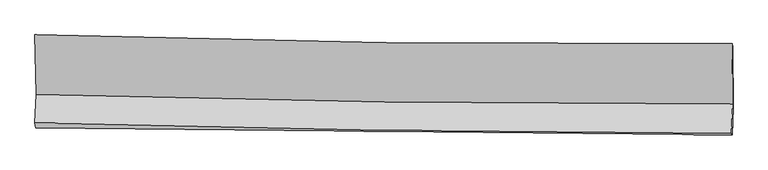
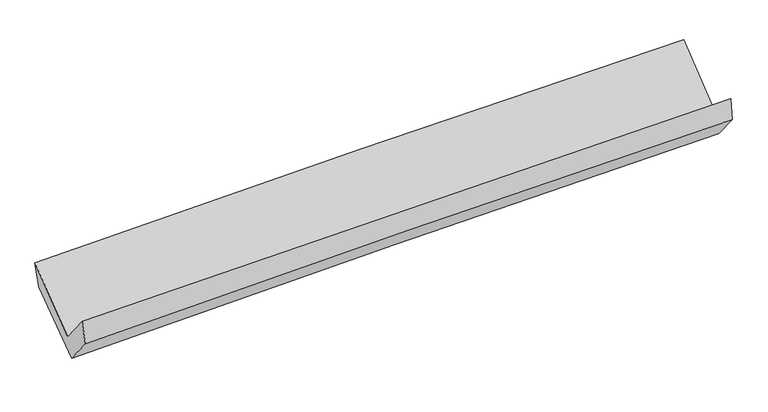
"""IFC4 building model written with IfcOpenShell, lengths in millimetres: proxy geometry."""

import ifcopenshell
import ifcopenshell.guid

model = None  # the IFC model being written
_history = None  # IfcOwnerHistory: only IFC2X3 demands one
_inside = {}  # id of a spatial element -> (the spatial element, [elements in it])
_under = {}  # id of a project, library or spatial element -> (it, [spatial elements below it])
_declared = {}  # id of a project -> (the project, [libraries it declares])
_typed = {}  # id of a type object -> (the type object, [elements of that type])
_made_of = {}  # id of a material, layer set ... -> (it, [elements and type objects made of it])


def new_model(schema):
    """Start an empty IFC model of exactly this schema.

    Asked for "IFC4X3", IfcOpenShell would pick the latest addendum, in which some entities
    have other attributes; the version numbers below select the first issue.
    IFC2X3 requires an IfcOwnerHistory on every rooted entity: one is made here for all.
    """
    global model, _history
    if schema == "IFC4X3":
        model = ifcopenshell.file(schema_version=(4, 3, 0, 0))
    else:
        model = ifcopenshell.file(schema=schema)
    _inside.clear()
    _under.clear()
    _declared.clear()
    _typed.clear()
    _made_of.clear()
    _history = None
    if model.schema == "IFC2X3":
        org = make("IfcOrganization", Name="unknown")
        user = make(
            "IfcPersonAndOrganization",
            ThePerson=make("IfcPerson", FamilyName="unknown"),
            TheOrganization=org,
        )
        app = make(
            "IfcApplication",
            ApplicationDeveloper=org,
            Version="unknown",
            ApplicationFullName="unknown",
            ApplicationIdentifier="unknown",
        )
        _history = make(
            "IfcOwnerHistory",
            OwningUser=user,
            OwningApplication=app,
            ChangeAction="ADDED",
            CreationDate=0,
        )
    return model


def make(cls, **values):
    """One entity of the class cls with the attributes given. An attribute that is None is left unset."""
    return model.create_entity(
        cls, **{name: value for name, value in values.items() if value is not None}
    )


def rooted(cls, **values):
    """An entity with a GlobalId (a new one), such as an element, a storey or a relation."""
    return make(cls, GlobalId=ifcopenshell.guid.new(), OwnerHistory=_history, **values)


def si_unit(unit_type, name, prefix=None):
    """IfcSIUnit, for example si_unit("LENGTHUNIT", "METRE", prefix="MILLI")."""
    return make("IfcSIUnit", UnitType=unit_type, Prefix=prefix, Name=name)


def assignment(units):
    """IfcUnitAssignment: the units of a project."""
    return None if units is None else make("IfcUnitAssignment", Units=units)


def point(xyz):
    """IfcCartesianPoint."""
    return None if xyz is None else make("IfcCartesianPoint", Coordinates=xyz)


def direction(xyz):
    """IfcDirection."""
    return None if xyz is None else make("IfcDirection", DirectionRatios=xyz)


def frame(location, z_axis=None, x_axis=None):
    """IfcAxis2Placement3D, a coordinate frame: its origin and axes. An axis left out is left unset."""
    return make(
        "IfcAxis2Placement3D",
        Location=point(location),
        Axis=direction(z_axis),
        RefDirection=direction(x_axis),
    )


def origin():
    """The frame at (0, 0, 0) with its axes left unset."""
    return frame((0.0, 0.0, 0.0))


def place(relative_to, where):
    """IfcLocalPlacement: puts the frame where relative to a parent placement (None: the world)."""
    return make(
        "IfcLocalPlacement", PlacementRelTo=relative_to, RelativePlacement=where
    )


def context(
    kind, dimensions, precision=None, world=None, true_north=None, identifier=None
):
    """IfcGeometricRepresentationContext, for example the 3D "Model" context."""
    return make(
        "IfcGeometricRepresentationContext",
        ContextIdentifier=identifier,
        ContextType=kind,
        CoordinateSpaceDimension=dimensions,
        Precision=precision,
        WorldCoordinateSystem=world,
        TrueNorth=true_north,
    )


def project(units=None, contexts=None):
    """IfcProject with its units and contexts."""
    return rooted(
        "IfcProject",
        Name="project",
        RepresentationContexts=contexts,
        UnitsInContext=assignment(units),
    )


def spatial(cls, under=None, at=None, **own):
    """A site, building, storey or space (cls), placed at a placement, below another one or the project."""
    s = rooted(cls, ObjectPlacement=at, **own)
    if under is not None:
        _under.setdefault(under.id(), (under, []))[1].append(s)
    return s


def shape(context_of_items, identifier, shape_type, items):
    """IfcShapeRepresentation: the items that make up one representation, for example the "Body"."""
    return make(
        "IfcShapeRepresentation",
        ContextOfItems=context_of_items,
        RepresentationIdentifier=identifier,
        RepresentationType=shape_type,
        Items=items,
    )


def source(mapping_origin, context_of_items, identifier, shape_type, items):
    """IfcRepresentationMap: a shape defined once, which mapped items show again and again."""
    return make(
        "IfcRepresentationMap",
        MappingOrigin=mapping_origin,
        MappedRepresentation=shape(context_of_items, identifier, shape_type, items),
    )


def transform(
    local_origin,
    x_axis=None,
    y_axis=None,
    z_axis=None,
    scale=None,
    scale2=None,
    scale3=None,
    uniform=True,
):
    """IfcCartesianTransformationOperator3D, or its non-uniform kind. x_axis, y_axis, z_axis: its Axis1, 2, 3."""
    if uniform:
        return make(
            "IfcCartesianTransformationOperator3D",
            Axis1=direction(x_axis),
            Axis2=direction(y_axis),
            LocalOrigin=point(local_origin),
            Scale=scale,
            Axis3=direction(z_axis),
        )
    return make(
        "IfcCartesianTransformationOperator3DnonUniform",
        Axis1=direction(x_axis),
        Axis2=direction(y_axis),
        LocalOrigin=point(local_origin),
        Scale=scale,
        Axis3=direction(z_axis),
        Scale2=scale2,
        Scale3=scale3,
    )


def mapped(mapping_source, mapping_target):
    """IfcMappedItem: shows the shape of a source again, moved by a transform."""
    return make(
        "IfcMappedItem", MappingSource=mapping_source, MappingTarget=mapping_target
    )


def made_of(thing, what):
    """Note that an element or type object is made of a material, layer set ...; save() writes the relation."""
    if what is not None:
        _made_of.setdefault(what.id(), (what, []))[1].append(thing)
    return thing


def element(
    cls,
    number,
    at=None,
    inside=None,
    cuts=None,
    type_object=None,
    material=None,
    context=None,
    identifier="Body",
    shape_type=None,
    held_by="IfcProductDefinitionShape",
    body=None,
    shapes=None,
    **own,
):
    """One element of the class cls, such as IfcWall. Its Tag is "e" and its number.

    at: its placement. inside: the storey or other place that contains it. cuts: it is an
    opening in that element (IfcRelVoidsElement). A single representation is given by context,
    identifier, shape_type and body (its items); several are given by shapes. held_by: the class
    of the entity that holds the representations. save() writes the other relations.
    """
    e = rooted(cls, Tag="e%d" % number, ObjectPlacement=at, **own)
    if body is not None:
        shapes = [shape(context, identifier, shape_type, body)]
    if shapes is not None:
        e.Representation = make(held_by, Representations=shapes)
    if inside is not None:
        _inside.setdefault(inside.id(), (inside, []))[1].append(e)
    if cuts is not None:
        rooted(
            "IfcRelVoidsElement", RelatingBuildingElement=cuts, RelatedOpeningElement=e
        )
    if type_object is not None:
        _typed.setdefault(type_object.id(), (type_object, []))[1].append(e)
    return made_of(e, material)


def aggregate(whole, parts):
    """IfcRelAggregates: a whole, such as a stair, and the parts it consists of."""
    return rooted("IfcRelAggregates", RelatingObject=whole, RelatedObjects=parts)


def save(model, path):
    """Write the relations noted so far, then the file.

    IfcRelAggregates (storeys below a building ...), IfcRelContainedInSpatialStructure (elements
    in a storey), IfcRelDefinesByType, IfcRelAssociatesMaterial and IfcRelDeclares: one each for
    every whole, place, type object, material and project.
    """
    for whole, parts in _under.values():
        aggregate(whole, parts)
    for where, things in _inside.values():
        rooted(
            "IfcRelContainedInSpatialStructure",
            RelatedElements=things,
            RelatingStructure=where,
        )
    for kind, things in _typed.values():
        rooted("IfcRelDefinesByType", RelatedObjects=things, RelatingType=kind)
    for what, things in _made_of.values():
        rooted("IfcRelAssociatesMaterial", RelatedObjects=things, RelatingMaterial=what)
    for by, libraries in _declared.values():
        rooted("IfcRelDeclares", RelatingContext=by, RelatedDefinitions=libraries)
    model.write(path)


def plane_surface(at):
    """IfcPlane: the flat surface through the origin of the frame at, square to its z axis."""
    return make("IfcPlane", Position=at)


def spline_curve(degree, points, multiplicities, knots, weights=None):
    """IfcBSplineCurveWithKnots; with weights, IfcRationalBSplineCurveWithKnots."""
    own = dict(
        Degree=degree,
        ControlPointsList=[point(p) for p in points],
        CurveForm="UNSPECIFIED",
        ClosedCurve=False,
        SelfIntersect=False,
        KnotMultiplicities=multiplicities,
        Knots=knots,
        KnotSpec="UNSPECIFIED",
    )
    if weights is None:
        return make("IfcBSplineCurveWithKnots", **own)
    return make("IfcRationalBSplineCurveWithKnots", WeightsData=weights, **own)


def spline_surface(u_degree, v_degree, points, u_multiplicities, v_multiplicities, u_knots, v_knots, weights=None):
    """IfcBSplineSurfaceWithKnots; with weights, IfcRationalBSplineSurfaceWithKnots. points: one row for each step in u."""
    own = dict(
        UDegree=u_degree,
        VDegree=v_degree,
        ControlPointsList=[[point(p) for p in row] for row in points],
        SurfaceForm="UNSPECIFIED",
        UClosed=False,
        VClosed=False,
        SelfIntersect=False,
        UMultiplicities=u_multiplicities,
        VMultiplicities=v_multiplicities,
        UKnots=u_knots,
        VKnots=v_knots,
        KnotSpec="UNSPECIFIED",
    )
    if weights is None:
        return make("IfcBSplineSurfaceWithKnots", **own)
    return make("IfcRationalBSplineSurfaceWithKnots", WeightsData=weights, **own)


def advanced_brep(points, edges, surfaces, faces):
    """IfcAdvancedBrep: a solid bounded by faces that lie on surfaces and meet in shared edges.

    An edge is (start, end): straight between two places in points (the first is 0);
    or (start, end, curve); or (start, end, curve, False) where it runs against its curve.
    A face is (place in surfaces, loops), or (place, loops, False) where it looks against
    its surface's normal. A loop lists edges by number (the first is 1), with a minus sign
    where the edge is run from its end to its start. The first loop is the outer one.
    """
    corners = [point(p) for p in points]
    vertices = [make("IfcVertexPoint", VertexGeometry=c) for c in corners]
    made = []
    for start, end, *more in edges:
        made.append(
            make(
                "IfcEdgeCurve",
                EdgeStart=vertices[start],
                EdgeEnd=vertices[end],
                EdgeGeometry=more[0] if more else make("IfcPolyline", Points=[corners[start], corners[end]]),
                SameSense=more[1] if len(more) > 1 else True,
            )
        )
    hull = []
    for where, loops, *sense in faces:
        bounds = []
        for j, loop in enumerate(loops):
            ring = [make("IfcOrientedEdge", EdgeElement=made[abs(k) - 1], Orientation=k > 0) for k in loop]
            bounds.append(
                make(
                    "IfcFaceOuterBound" if j == 0 else "IfcFaceBound",
                    Bound=make("IfcEdgeLoop", EdgeList=ring),
                    Orientation=True,
                )
            )
        hull.append(make("IfcAdvancedFace", Bounds=bounds, FaceSurface=surfaces[where], SameSense=sense[0] if sense else True))
    return make("IfcAdvancedBrep", Outer=make("IfcClosedShell", CfsFaces=hull))


def generic_models_895e8f6d(model_context):
    return source(origin(), model_context, "Body", "AdvancedBrep", [
        advanced_brep(
        [(-3011.6317415, -1162.8316454, 2156.4761169), (-3001.7528544, -1676.1254939, 1734.6389146), (2993.26945, -1760.1229016, 1882.8106057), (2988.5799851, -1239.8976882, 2304.1228282), (-3011.7225499, -1924.4949526, 2041.2079986), (2983.1809199, -2011.4528202, 2193.0338647), (-3006.2949849, -1967.7618737, 1846.562293), (2987.8040466, -2025.7324758, 1994.5615438), (-2996.8341867, -1729.9745688, 1555.9676578), (2997.0266278, -1794.2769825, 1711.7051138), (-3005.9575969, -1213.1737584, 1952.1931102), (2992.8381448, -1269.6388765, 2114.1026913)],
        [
            (0, 1),
            (1, 2, spline_curve(3, [(-3001.7528544, -1676.1254939, 1734.6389146), (-2002.624186025, -1705.150211502, 1774.79536576), (-1003.215797094, -1726.662090579, 1807.223626691), (995.125549568, -1754.64568029, 1856.59819833), (1994.057929017, -1761.13293711, 1873.560501294), (2993.26945, -1760.1229016, 1882.8106057)], [4, 2, 4], [0.0, 9.848657079376217, 19.6871188821969])),
            (2, 3),
            (3, 0, spline_curve(3, [(2988.5799851, -1239.8976882, 2304.1228282), (1988.264516226, -1245.526292858, 2307.17979373), (988.347872951, -1241.926532095, 2296.417915668), (-1011.723529813, -1216.256987337, 2247.231000333), (-2011.877462134, -1194.16806704, 2208.777307894), (-3011.6317415, -1162.8316454, 2156.4761169)], [4, 2, 4], [0.0, 9.838461802820682, 19.6871188821969])),
            (1, 4),
            (4, 5, spline_curve(3, [(-3011.7225499, -1924.4949526, 2041.2079986), (-2012.571559419, -1952.96357507, 2080.67804651), (-1013.161928821, -1974.444511116, 2113.068113401), (985.139763231, -2003.416006951, 2163.662084735), (1984.031288773, -2010.92102692, 2181.880639828), (2983.1809199, -2011.4528202, 2193.0338647)], [4, 2, 4], [0.0, 9.84395514666889, 19.677719884197558])),
            (5, 2),
            (4, 6),
            (6, 7, spline_curve(3, [(-3006.2949849, -1967.7618737, 1846.562293), (-2007.17186218, -1977.11142647, 1883.585383936), (-1007.843264082, -1986.619670007, 1914.433390635), (990.190171813, -2005.943532634, 1963.753696288), (1988.89458393, -2015.7588229, 1982.238772861), (2987.8040466, -2025.7324758, 1994.5615438)], [4, 2, 4], [0.0, 9.842659167684088, 19.67512926781839])),
            (7, 5),
            (6, 8),
            (8, 9, spline_curve(3, [(-2996.8341867, -1729.9745688, 1555.9676578), (-1997.666286711, -1738.267209219, 1591.699181031), (-998.335183388, -1747.775468284, 1622.547257205), (999.618759486, -1769.212121816, 1674.449636951), (1998.241260682, -1781.138000734, 1695.514046199), (2997.0266278, -1794.2769825, 1711.7051138)], [4, 2, 4], [0.0, 9.841585206976374, 19.672982458161282])),
            (9, 7),
            (8, 10),
            (10, 11, spline_curve(3, [(-3005.9575969, -1213.1737584, 1952.1931102), (-2005.89976224, -1217.493992024, 1991.001255299), (-1005.712252067, -1224.363291424, 2023.901722321), (993.886596925, -1243.190272135, 2077.859357889), (1993.29766713, -1255.14267882, 2098.928750949), (2992.8381448, -1269.6388765, 2114.1026913)], [4, 2, 4], [0.0, 9.845730360785355, 19.681268474738435])),
            (11, 9),
            (10, 0),
            (3, 11),
        ],
        [
            spline_surface(3, 3, [[(-3011.6317415, -1162.8316454, 2156.4761169), (-2011.877461977, -1194.168066954, 2208.777307815), (-1011.723529706, -1216.256987251, 2247.23100022), (988.347872844, -1241.926532181, 2296.417915781), (1988.26451609, -1245.526292791, 2307.179793811), (2988.5799851, -1239.8976882, 2304.1228282)], [(-3008.338779128, -1333.9295949, 2015.863716126), (-2008.79303667, -1364.495448507, 2064.116660491), (-1008.887618891, -1386.392021739, 2100.561875725), (990.607098464, -1412.832914847, 2149.811343311), (1990.195653733, -1417.395174178, 2162.640029608), (2990.143140065, -1413.306092666, 2163.685420712)], [(-3005.045816772, -1505.0275444, 1875.251315374), (-2005.708611379, -1534.82283006, 1919.456013187), (-1006.05170806, -1556.527056215, 1953.892751187), (992.8663241, -1583.739297501, 2003.204770799), (1992.126791381, -1589.264055565, 2018.100265368), (2991.706295035, -1586.714497134, 2023.248013188)], [(-3001.7528544, -1676.1254939, 1734.6389146), (-2002.624186072, -1705.150211613, 1774.795365862), (-1003.215797245, -1726.662090702, 1807.223626691), (995.12554972, -1754.645680166, 1856.598198329), (1994.057929024, -1761.132936952, 1873.560501164), (2993.26945, -1760.1229016, 1882.8106057)]], [4, 4], [4, 2, 4], [0.0, 2.213721081554], [0.0, 9.848657079376217, 19.6871188821969]),
            spline_surface(3, 3, [[(-3001.7528544, -1676.1254939, 1734.6389146), (-2002.624186072, -1705.150211613, 1774.795365862), (-1003.215797245, -1726.662090702, 1807.223626691), (995.12554972, -1754.645680166, 1856.598198329), (1994.057929024, -1761.132936952, 1873.560501164), (2993.26945, -1760.1229016, 1882.8106057)], [(-3005.076086228, -1758.915313463, 1836.82860926), (-2005.939977236, -1787.754666054, 1876.756259381), (-1006.531174384, -1809.256230771, 1909.171788904), (991.796954197, -1837.569122456, 1958.952827105), (1990.715715633, -1844.395633599, 1976.333880692), (2989.906606641, -1843.899541119, 1986.218358698)], [(-3008.399318072, -1841.705133037, 1939.01830394), (-2009.255768414, -1870.359120507, 1978.717152919), (-1009.846551562, -1891.850370901, 2011.119951192), (988.468358635, -1920.492564807, 2061.307455956), (1987.373502219, -1927.65833029, 2079.107260226), (2986.543763259, -1927.676180681, 2089.626111702)], [(-3011.7225499, -1924.4949526, 2041.2079986), (-2012.571559578, -1952.963574947, 2080.678046438), (-1013.161928701, -1974.44451097, 2113.068113404), (985.139763112, -2003.416007097, 2163.662084731), (1984.031288827, -2010.921026937, 2181.880639754), (2983.1809199, -2011.4528202, 2193.0338647)]], [4, 4], [4, 2, 4], [0.0, 1.294390115323039], [0.0, 9.84395514666889, 19.677719884197558]),
            spline_surface(3, 3, [[(-3011.7225499, -1924.4949526, 2041.2079986), (-2012.571559578, -1952.963574947, 2080.678046438), (-1013.161928701, -1974.44451097, 2113.068113404), (985.139763112, -2003.416007097, 2163.662084731), (1984.031288827, -2010.921026937, 2181.880639754), (2983.1809199, -2011.4528202, 2193.0338647)], [(-3009.913361583, -1938.917259656, 1976.326096737), (-2010.771660486, -1961.012858775, 2014.980492221), (-1011.389040475, -1978.50289736, 2046.856539217), (986.823232637, -2004.258515582, 2097.025955228), (1985.652387188, -2012.53362558, 2115.333350734), (2984.721962128, -2016.212705416, 2126.876424372)], [(-3008.104173217, -1953.339566644, 1911.444194863), (-2008.971761347, -1969.062142537, 1949.282937994), (-1009.616152216, -1982.561283725, 1980.644964959), (988.506702195, -2005.101024042, 2030.389825655), (1987.273485564, -2014.146224174, 2048.786061798), (2986.263004372, -2020.972590584, 2060.718984128)], [(-3006.2949849, -1967.7618737, 1846.562293), (-2007.171862255, -1977.111426364, 1883.585383777), (-1007.843263989, -1986.619670115, 1914.433390771), (990.19017172, -2005.943532527, 1963.753696152), (1988.894583925, -2015.758822817, 1982.238772778), (2987.8040466, -2025.7324758, 1994.5615438)]], [4, 4], [4, 2, 4], [0.0, 0.6544423367153976], [0.0, 9.842659167684088, 19.67512926781839]),
            spline_surface(3, 3, [[(-3006.2949849, -1967.7618737, 1846.562293), (-2007.171862255, -1977.111426364, 1883.585383777), (-1007.843263989, -1986.619670115, 1914.433390771), (990.19017172, -2005.943532527, 1963.753696152), (1988.894583925, -2015.758822817, 1982.238772778), (2987.8040466, -2025.7324758, 1994.5615438)], [(-3003.141385473, -1888.499438716, 1749.697414607), (-2004.003337042, -1897.496687349, 1786.289982845), (-1004.673903744, -1907.00493618, 1817.138012878), (993.333034244, -1927.033062262, 1867.319009774), (1992.010142854, -1937.551882103, 1886.66386394), (2990.878240339, -1948.58064471, 1900.276067146)], [(-2999.987786127, -1809.237003784, 1652.832536193), (-2000.834811911, -1817.881948385, 1688.994581892), (-1001.504543469, -1827.390202273, 1719.842635008), (996.475896798, -1848.122592026, 1770.88432342), (1995.125701765, -1859.34494136, 1791.088955064), (2993.952434061, -1871.42881359, 1805.990590454)], [(-2996.8341867, -1729.9745688, 1555.9676578), (-1997.666286698, -1738.26720937, 1591.699180959), (-998.335183224, -1747.775468338, 1622.547257115), (999.618759322, -1769.212121762, 1674.449637042), (1998.241260695, -1781.138000647, 1695.514046227), (2997.0266278, -1794.2769825, 1711.7051138)]], [4, 4], [4, 2, 4], [0.0, 1.2323015348277842], [0.0, 9.841585206976374, 19.672982458161282]),
            spline_surface(3, 3, [[(-2996.8341867, -1729.9745688, 1555.9676578), (-1997.666286698, -1738.26720937, 1591.699180959), (-998.335183224, -1747.775468338, 1622.547257115), (999.618759322, -1769.212121762, 1674.449637042), (1998.241260695, -1781.138000647, 1695.514046227), (2997.0266278, -1794.2769825, 1711.7051138)], [(-2999.875323463, -1557.707632014, 1688.042808608), (-2000.410778581, -1564.676136894, 1724.79987239), (-1000.79420615, -1573.304742682, 1756.332078852), (997.70803852, -1593.871505246, 1808.919543974), (1996.593396186, -1605.806226676, 1829.985614534), (2995.630466788, -1619.397613808, 1845.837639652)], [(-3002.916460137, -1385.440695186, 1820.117959392), (-2003.155270376, -1391.085064377, 1857.900563799), (-1003.253229104, -1398.834017014, 1890.116900612), (995.79731769, -1418.530888718, 1943.389450929), (1994.945531712, -1430.474452781, 1964.457182787), (2994.234305812, -1444.518245192, 1979.970165448)], [(-3005.9575969, -1213.1737584, 1952.1931102), (-2005.899762259, -1217.493991901, 1991.00125523), (-1005.71225203, -1224.363291357, 2023.901722349), (993.886596888, -1243.190272202, 2077.859357861), (1993.297667203, -1255.142678811, 2098.928751095), (2992.8381448, -1269.6388765, 2114.1026913)]], [4, 4], [4, 2, 4], [0.0, 2.1695259028030613], [0.0, 9.845730360785355, 19.681268474738435]),
            spline_surface(3, 3, [[(-3005.9575969, -1213.1737584, 1952.1931102), (-2005.899762259, -1217.493991901, 1991.00125523), (-1005.71225203, -1224.363291357, 2023.901722349), (993.886596888, -1243.190272202, 2077.859357861), (1993.297667203, -1255.142678811, 2098.928751095), (2992.8381448, -1269.6388765, 2114.1026913)], [(-3007.848978425, -1196.393054051, 2020.287445762), (-2007.892328824, -1209.71868357, 2063.593272754), (-1007.716011252, -1221.661190003, 2098.344814975), (992.040355544, -1242.769025542, 2150.712210504), (1991.61995017, -1251.937216818, 2168.345765321), (2991.418758238, -1259.72514708, 2177.442736921)], [(-3009.740359975, -1179.612349749, 2088.381781338), (-2009.884895413, -1201.943375285, 2136.185290291), (-1009.719770484, -1218.959088606, 2172.787907594), (990.194114189, -1242.34777884, 2223.565063139), (1989.942233122, -1248.731754784, 2237.762779585), (2989.999371662, -1249.81141762, 2240.782782579)], [(-3011.6317415, -1162.8316454, 2156.4761169), (-2011.877461977, -1194.168066954, 2208.777307815), (-1011.723529706, -1216.256987251, 2247.23100022), (988.347872844, -1241.926532181, 2296.417915781), (1988.26451609, -1245.526292791, 2307.179793811), (2988.5799851, -1239.8976882, 2304.1228282)]], [4, 4], [4, 2, 4], [0.0, 0.7253004331920434], [0.0, 9.851312522538272, 19.692427019620606]),
            plane_surface(frame((2990.4498624, -1683.5202908, 2033.3894413), z_axis=(0.9996563654040374, -0.01045622036107776, 0.02403785687100183), x_axis=(-0.006334661185649576, 0.7934626018791314, 0.6085860427966304))),
            plane_surface(frame((-3005.6989857, -1612.3937155, 1881.1743485), z_axis=(-0.9995730948578647, 0.004488299144608006, -0.028870109231848684), x_axis=(0.026959261385131425, -0.23918780463644815, -0.9705989863680904))),
        ],
        [
            (0, [[1, 2, 3, 4]]),
            (1, [[5, 6, 7, -2]]),
            (2, [[8, 9, 10, -6]]),
            (3, [[11, 12, 13, -9]]),
            (4, [[14, 15, 16, -12]]),
            (5, [[17, -4, 18, -15]]),
            (6, [[-16, -18, -3, -7, -10, -13]]),
            (7, [[-17, -14, -11, -8, -5, -1]]),
        ],
    ),
    ])


if __name__ == "__main__":
    model = new_model("IFC4")
    model_context = context("Model", 3, world=origin())
    ifc_project = project(units=[si_unit("LENGTHUNIT", "METRE", prefix="MILLI")], contexts=[model_context])
    site = spatial("IfcSite", under=ifc_project)
    building = spatial("IfcBuilding", under=site)
    placement = place(None, origin())
    generic_models_shape = generic_models_895e8f6d(model_context)
    element("IfcBuildingElementProxy", 1, Name="Generic Models", at=placement, inside=building, context=model_context, shape_type="MappedRepresentation", body=[
        mapped(generic_models_shape, transform((0.0, 0.0, 0.0), x_axis=(1.0, 0.0, 0.0), y_axis=(0.0, 1.0, 0.0), z_axis=(0.0, 0.0, 1.0))),
    ])
    save(model, "model.ifc")
